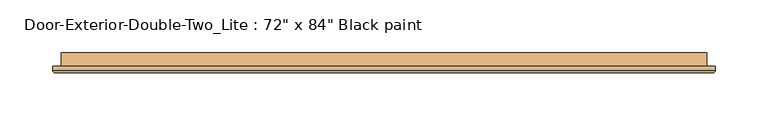
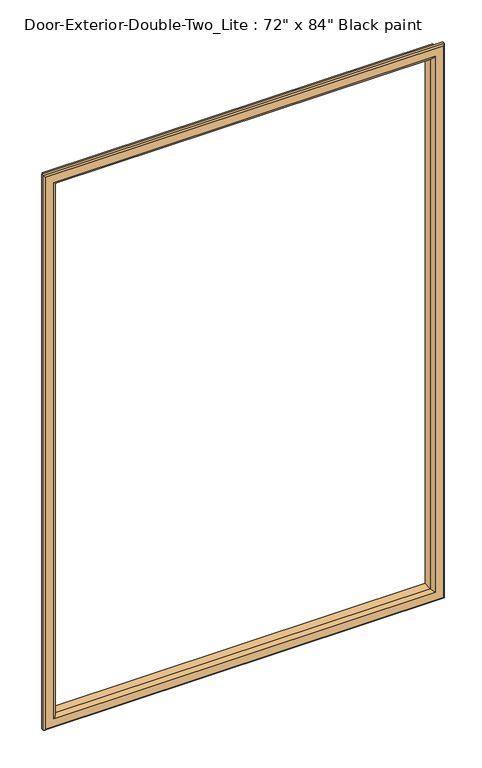
"""IFC4 building model written with IfcOpenShell, lengths in millimetres: door geometry."""

from ifc_helpers import new_model, si_unit, frame, origin, place, context, project, spatial, ellipse_curve, source, transform, mapped, element, save
from ifc_brep_helpers import plane_surface, cylinder_surface, advanced_brep


def door_4c06291e(model_context):
    return source(origin(), model_context, "Body", "AdvancedBrep", [
        advanced_brep(
        [(-762.0, 117.475, 1117.6), (-762.0, 104.775, 1117.6), (-762.0, 104.775, 2016.125), (-762.0, 117.475, 2016.125), (-750.0, 103.775, 1129.6), (-750.0, 117.475, 1129.6), (-750.0, 117.475, 2004.125), (-750.0, 103.775, 2004.125), (-755.0, 98.775, 1124.6), (-755.0, 98.775, 2009.125), (-770.0, 100.775, 1109.6), (-768.0, 98.775, 1111.6), (-768.0, 98.775, 2022.125), (-770.0, 100.775, 2024.125), (-770.0, 104.775, 1109.6), (-770.0, 104.775, 2024.125), (-152.4, 104.775, 2016.125), (-152.4, 117.475, 2016.125), (-164.4, 117.475, 2004.125), (-164.4, 103.775, 2004.125), (-159.4, 98.775, 2009.125), (-146.4, 98.775, 2022.125), (-144.4, 100.775, 2024.125), (-144.4, 104.775, 2024.125), (-152.4, 104.775, 1117.6), (-152.4, 117.475, 1117.6), (-164.4, 117.475, 1129.6), (-164.4, 103.775, 1129.6), (-159.4, 98.775, 1124.6), (-146.4, 98.775, 1111.6), (-144.4, 100.775, 1109.6), (-144.4, 104.775, 1109.6)],
        [
            (0, 1),
            (1, 2),
            (2, 3),
            (3, 0),
            (4, 5),
            (5, 6),
            (6, 7),
            (7, 4),
            (8, 4, ellipse_curve(frame((-755.0, 103.775, 1124.6), z_axis=(-0.7071067811865475, 0.0, 0.7071067811865475), x_axis=(-0.7071067811865474, 0.0, -0.7071067811865476)), 7.0710678, 5.0)),
            (7, 9, ellipse_curve(frame((-755.0, 103.775, 2009.125), z_axis=(-0.7071067811865475, 0.0, -0.7071067811865475), x_axis=(0.7071067811865474, 0.0, -0.7071067811865476)), 7.0710678, 5.0)),
            (9, 8),
            (10, 11, ellipse_curve(frame((-768.0, 100.775, 1111.6), z_axis=(-0.7071067811865475, 0.0, 0.7071067811865475), x_axis=(-0.7071067811865474, 0.0, -0.7071067811865476)), 2.8284271, 2.0)),
            (11, 12),
            (12, 13, ellipse_curve(frame((-768.0, 100.775, 2022.125), z_axis=(-0.7071067811865475, 0.0, -0.7071067811865475), x_axis=(0.7071067811865474, 0.0, -0.7071067811865476)), 2.8284271, 2.0)),
            (13, 10),
            (14, 10),
            (13, 15),
            (15, 14),
            (2, 16),
            (16, 17),
            (17, 3),
            (6, 18),
            (18, 19),
            (19, 7),
            (19, 20, ellipse_curve(frame((-159.4, 103.775, 2009.125), z_axis=(-0.7071067811865475, 0.0, 0.7071067811865475), x_axis=(-0.7071067811865476, 0.0, -0.7071067811865474)), 7.0710678, 5.0)),
            (20, 9),
            (12, 21),
            (21, 22, ellipse_curve(frame((-146.4, 100.775, 2022.125), z_axis=(-0.7071067811865475, 0.0, 0.7071067811865475), x_axis=(-0.7071067811865476, 0.0, -0.7071067811865474)), 2.8284271, 2.0)),
            (22, 13),
            (22, 23),
            (23, 15),
            (16, 24),
            (24, 25),
            (25, 17),
            (18, 26),
            (26, 27),
            (27, 19),
            (27, 28, ellipse_curve(frame((-159.4, 103.775, 1124.6), z_axis=(0.7071067811865475, 0.0, 0.7071067811865475), x_axis=(-0.7071067811865474, 0.0, 0.7071067811865476)), 7.0710678, 5.0)),
            (28, 20),
            (21, 29),
            (29, 30, ellipse_curve(frame((-146.4, 100.775, 1111.6), z_axis=(0.7071067811865475, 0.0, 0.7071067811865475), x_axis=(-0.7071067811865474, 0.0, 0.7071067811865476)), 2.8284271, 2.0)),
            (30, 22),
            (30, 31),
            (31, 23),
            (31, 14),
            (1, 24),
            (0, 25),
            (5, 26),
            (4, 27),
            (8, 28),
            (11, 29),
            (10, 30),
        ],
        [
            plane_surface(frame((-762.0, 104.775, 1117.6), z_axis=(-1.0, 0.0, 0.0), x_axis=(0.0, 0.0, 1.0))),
            plane_surface(frame((-750.0, 117.475, 1129.6), z_axis=(1.0, 0.0, 0.0), x_axis=(0.0, 0.0, 1.0))),
            cylinder_surface(frame((-755.0, 103.775, 1117.6), z_axis=(0.0, 0.0, -1.0), x_axis=(-1.0, 0.0, 0.0)), 5.0),
            cylinder_surface(frame((-768.0, 100.775, 1117.6), z_axis=(0.0, 0.0, -1.0), x_axis=(-1.0, 0.0, 0.0)), 2.0),
            plane_surface(frame((-770.0, 100.775, 1109.6), z_axis=(-1.0, 0.0, 0.0), x_axis=(0.0, 0.0, 1.0))),
            plane_surface(frame((-762.0, 104.775, 2016.125), z_axis=(0.0, 0.0, 1.0), x_axis=(1.0, 0.0, 0.0))),
            plane_surface(frame((-750.0, 117.475, 2004.125), z_axis=(0.0, 0.0, -1.0), x_axis=(1.0, 0.0, 0.0))),
            cylinder_surface(frame((-762.0, 103.775, 2009.125), z_axis=(-1.0, 0.0, 0.0), x_axis=(0.0, 0.0, 1.0)), 5.0),
            cylinder_surface(frame((-762.0, 100.775, 2022.125), z_axis=(-1.0, 0.0, 0.0), x_axis=(0.0, 0.0, 1.0)), 2.0),
            plane_surface(frame((-770.0, 100.775, 2024.125), z_axis=(0.0, 0.0, 1.0), x_axis=(1.0, 0.0, 0.0))),
            plane_surface(frame((-152.4, 104.775, 2016.125), z_axis=(1.0, 0.0, 0.0), x_axis=(0.0, 0.0, -1.0))),
            plane_surface(frame((-164.4, 117.475, 2004.125), z_axis=(-1.0, 0.0, 0.0), x_axis=(0.0, 0.0, -1.0))),
            cylinder_surface(frame((-159.4, 103.775, 2016.125), z_axis=(0.0, 0.0, 1.0), x_axis=(1.0, 0.0, 0.0)), 5.0),
            cylinder_surface(frame((-146.4, 100.775, 2016.125), z_axis=(0.0, 0.0, 1.0), x_axis=(1.0, 0.0, 0.0)), 2.0),
            plane_surface(frame((-144.4, 100.775, 2024.125), z_axis=(1.0, 0.0, 0.0), x_axis=(0.0, 0.0, -1.0))),
            plane_surface(frame((-144.4, 104.775, 1109.6), z_axis=(0.0, 1.0, 0.0), x_axis=(-1.0, 0.0, 0.0))),
            plane_surface(frame((-152.4, 104.775, 1117.6), z_axis=(0.0, 0.0, -1.0), x_axis=(-1.0, 0.0, 0.0))),
            plane_surface(frame((-152.4, 117.475, 1117.6), z_axis=(0.0, 1.0, 0.0), x_axis=(-1.0, 0.0, 0.0))),
            plane_surface(frame((-164.4, 117.475, 1129.6), z_axis=(0.0, 0.0, 1.0), x_axis=(-1.0, 0.0, 0.0))),
            cylinder_surface(frame((-152.4, 103.775, 1124.6), z_axis=(1.0, 0.0, 0.0), x_axis=(0.0, 0.0, -1.0)), 5.0),
            plane_surface(frame((-159.4, 98.775, 1124.6), z_axis=(0.0, -1.0, 0.0), x_axis=(-1.0, 0.0, 0.0))),
            cylinder_surface(frame((-152.4, 100.775, 1111.6), z_axis=(1.0, 0.0, 0.0), x_axis=(0.0, 0.0, -1.0)), 2.0),
            plane_surface(frame((-144.4, 100.775, 1109.6), z_axis=(0.0, 0.0, -1.0), x_axis=(-1.0, 0.0, 0.0))),
        ],
        [
            (0, [[1, 2, 3, 4]]),
            (1, [[5, 6, 7, 8]]),
            (2, [[9, -8, 10, 11]]),
            (3, [[12, 13, 14, 15]]),
            (4, [[16, -15, 17, 18]]),
            (5, [[-3, 19, 20, 21]]),
            (6, [[-7, 22, 23, 24]]),
            (7, [[-10, -24, 25, 26]]),
            (8, [[-14, 27, 28, 29]]),
            (9, [[-17, -29, 30, 31]]),
            (10, [[-20, 32, 33, 34]]),
            (11, [[-23, 35, 36, 37]]),
            (12, [[-25, -37, 38, 39]]),
            (13, [[-28, 40, 41, 42]]),
            (14, [[-30, -42, 43, 44]]),
            (15, [[-31, -44, 45, -18], [46, -32, -19, -2]]),
            (16, [[-33, -46, -1, 47]]),
            (17, [[-21, -34, -47, -4], [48, -35, -22, -6]]),
            (18, [[-36, -48, -5, 49]]),
            (19, [[-38, -49, -9, 50]]),
            (20, [[51, -40, -27, -13], [-26, -39, -50, -11]]),
            (21, [[-41, -51, -12, 52]]),
            (22, [[-43, -52, -16, -45]]),
        ],
    ),
    ])


if __name__ == "__main__":
    model = new_model("IFC4")
    model_context = context("Model", 3, world=origin())
    ifc_project = project(units=[si_unit("LENGTHUNIT", "METRE", prefix="MILLI")], contexts=[model_context])
    site = spatial("IfcSite", under=ifc_project)
    building = spatial("IfcBuilding", under=site)
    placement = place(None, origin())
    door_shape = door_4c06291e(model_context)
    element("IfcDoor", 1, ObjectType="Door-Exterior-Double-Two_Lite : 72\" x 84\" Black paint", at=placement, inside=building, context=model_context, shape_type="MappedRepresentation", body=[
        mapped(door_shape, transform((0.0, 0.0, 0.0), x_axis=(1.0, 0.0, 0.0), y_axis=(0.0, 1.0, 0.0), z_axis=(0.0, 0.0, 1.0))),
    ])
    save(model, "model.ifc")
